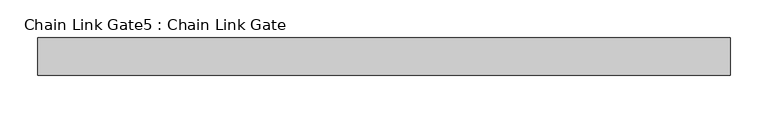
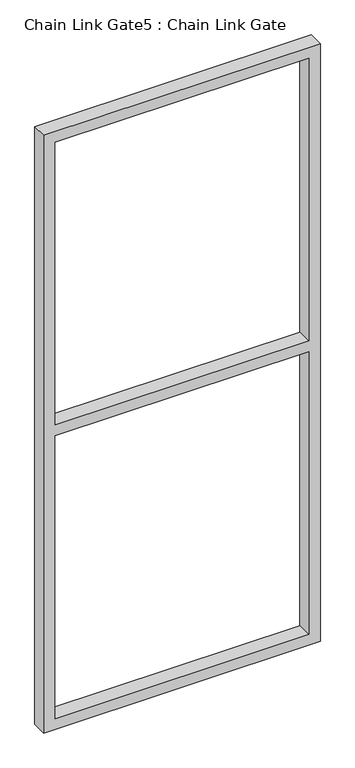
"""IFC4 building model written with IfcOpenShell, lengths in millimetres: proxy geometry, Chain Link Gate5 : Chain Link Gate."""

from ifc_helpers import new_model, si_unit, frame, origin, place, context, project, spatial, polyline, outline, extrude, source, transform, mapped, element, save


def chain_link_gate5_chain_link_gate_7396ba96(model_context):
    return source(origin(), model_context, "Body", "SweptSolid", [
        extrude(outline(polyline([(2120.9, -19124.9868371), (12.7, -19124.9868371), (12.7, -18201.0618371), (2120.9, -18201.0618371), (2120.9, -19124.9868371)]), holes=[polyline([(2082.8, -19086.8868371), (2082.8, -18239.1618371), (1085.85, -18239.1618371), (1085.85, -19086.8868371), (2082.8, -19086.8868371)]), polyline([(1047.75, -18239.1618371), (50.8, -18239.1618371), (50.8, -19086.8868371), (1047.75, -19086.8868371), (1047.75, -18239.1618371)])]), frame((0.0, 17057.3849225, 0.0), z_axis=(0.0, 1.0, 0.0), x_axis=(0.0, 0.0, 1.0)), (0.0, 0.0, 1.0), 50.1314753),
    ])


if __name__ == "__main__":
    model = new_model("IFC4")
    model_context = context("Model", 3, world=origin())
    ifc_project = project(units=[si_unit("LENGTHUNIT", "METRE", prefix="MILLI")], contexts=[model_context])
    site = spatial("IfcSite", under=ifc_project)
    building = spatial("IfcBuilding", under=site)
    placement = place(None, origin())
    chain_link_gate5_chain_link_gate_shape = chain_link_gate5_chain_link_gate_7396ba96(model_context)
    element("IfcBuildingElementProxy", 1, Name="Chain Link Gate5 : Chain Link Gate", ObjectType="Chain Link Gate5 : Chain Link Gate", at=placement, inside=building, context=model_context, shape_type="MappedRepresentation", body=[
        mapped(chain_link_gate5_chain_link_gate_shape, transform((0.0, 0.0, 0.0), x_axis=(1.0, 0.0, 0.0), y_axis=(0.0, 1.0, 0.0), z_axis=(0.0, 0.0, 1.0))),
    ])
    save(model, "model.ifc")
